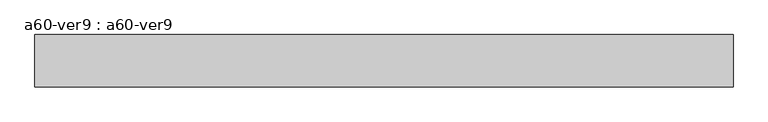
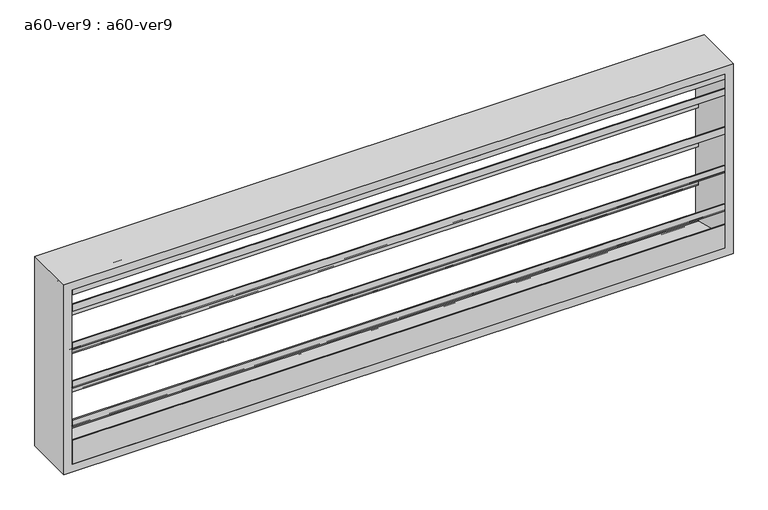
"""IFC4 building model written with IfcOpenShell, lengths in millimetres: proxy geometry, a60-ver9 : a60-ver9."""

from ifc_helpers import new_model, si_unit, frame, origin, place, context, project, spatial, polyline, outline, extrude, source, transform, mapped, element, save


def a60_ver9_a60_ver9_d8c9282d(model_context):
    return source(origin(), model_context, "Body", "SweptSolid", [
        extrude(outline(polyline([(-73.025, 1106.4657367), (-73.025, 1086.29979), (65.3071116, 980.1538275), (65.3071116, 962.3154476), (73.025, 956.3933035), (73.025, 981.1079125), (76.2, 981.1079125), (76.2, 952.5), (72.883344, 952.5), (62.1321116, 960.7497108), (62.1321116, 978.5880908), (-76.2, 1084.7340533), (-76.2, 1106.4657367), (-73.025, 1106.4657367)])), frame((-990.6, 0.0, 0.0), z_axis=(1.0, 0.0, 0.0), x_axis=(0.0, 1.0, 0.0)), (0.0, 0.0, 1.0), 1981.2),
        extrude(outline(polyline([(-73.025, 1230.2907367), (-73.025, 1210.12479), (65.3071116, 1103.9788275), (65.3071116, 1086.1404476), (73.025, 1080.2183035), (73.025, 1104.9329125), (76.2, 1104.9329125), (76.2, 1076.325), (72.883344, 1076.325), (62.1321116, 1084.5747108), (62.1321116, 1102.4130908), (-76.2, 1208.5590533), (-76.2, 1230.2907367), (-73.025, 1230.2907367)])), frame((-990.6, 0.0, 0.0), z_axis=(1.0, 0.0, 0.0), x_axis=(0.0, 1.0, 0.0)), (0.0, 0.0, 1.0), 1981.2),
        extrude(outline(polyline([(-73.025, 1354.1157367), (-73.025, 1333.94979), (65.3071116, 1227.8038275), (65.3071116, 1209.9654476), (73.025, 1204.0433035), (73.025, 1228.7579125), (76.2, 1228.7579125), (76.2, 1200.15), (72.883344, 1200.15), (62.1321116, 1208.3997108), (62.1321116, 1226.2380908), (-76.2, 1332.3840533), (-76.2, 1354.1157367), (-73.025, 1354.1157367)])), frame((-990.6, 0.0, 0.0), z_axis=(1.0, 0.0, 0.0), x_axis=(0.0, 1.0, 0.0)), (0.0, 0.0, 1.0), 1981.2),
        extrude(outline(polyline([(-73.025, 1477.9407367), (-73.025, 1457.77479), (65.3071116, 1351.6288275), (65.3071116, 1333.7904476), (73.025, 1327.8683035), (73.025, 1352.5829125), (76.2, 1352.5829125), (76.2, 1323.975), (72.883344, 1323.975), (62.1321116, 1332.2247108), (62.1321116, 1350.0630908), (-76.2, 1456.2090533), (-76.2, 1477.9407367), (-73.025, 1477.9407367)])), frame((-990.6, 0.0, 0.0), z_axis=(1.0, 0.0, 0.0), x_axis=(0.0, 1.0, 0.0)), (0.0, 0.0, 1.0), 1981.2),
        extrude(outline(polyline([(0.0, 1508.125), (76.2, 1447.8), (71.0848317, 1447.8), (-5.1151683, 1508.125), (-76.2, 1508.125), (-76.2, 1524.0), (76.2, 1524.0), (0.0, 1508.125)])), frame((-990.6, 0.0, 0.0), z_axis=(1.0, 0.0, 0.0), x_axis=(0.0, 1.0, 0.0)), (0.0, 0.0, 1.0), 1981.2),
        extrude(outline(polyline([(76.2, 965.2), (-76.2, 965.2), (-76.2, 1041.4), (-73.025, 1041.4), (-73.025, 1003.3), (76.2, 965.2)])), frame((-990.6, 0.0, 0.0), z_axis=(1.0, 0.0, 0.0), x_axis=(0.0, 1.0, 0.0)), (0.0, 0.0, 1.0), 1981.2),
        extrude(outline(polyline([(939.8, -1016.0), (939.8, 1016.0), (1549.4, 1016.0), (1549.4, -1016.0), (939.8, -1016.0)]), holes=[polyline([(965.2, -990.6), (1524.0, -990.6), (1524.0, 990.6), (965.2, 990.6), (965.2, -990.6)])]), frame((0.0, -76.2, 0.0), z_axis=(0.0, 1.0, 0.0), x_axis=(0.0, 0.0, 1.0)), (0.0, 0.0, 1.0), 152.4),
    ])


if __name__ == "__main__":
    model = new_model("IFC4")
    model_context = context("Model", 3, world=origin())
    ifc_project = project(units=[si_unit("LENGTHUNIT", "METRE", prefix="MILLI")], contexts=[model_context])
    site = spatial("IfcSite", under=ifc_project)
    building = spatial("IfcBuilding", under=site)
    placement = place(None, origin())
    a60_ver9_a60_ver9_shape = a60_ver9_a60_ver9_d8c9282d(model_context)
    element("IfcBuildingElementProxy", 1, Name="a60-ver9 : a60-ver9", ObjectType="a60-ver9 : a60-ver9", at=placement, inside=building, context=model_context, shape_type="MappedRepresentation", body=[
        mapped(a60_ver9_a60_ver9_shape, transform((0.0, 0.0, 0.0), x_axis=(1.0, 0.0, 0.0), y_axis=(0.0, 1.0, 0.0), z_axis=(0.0, 0.0, 1.0))),
    ])
    save(model, "model.ifc")
